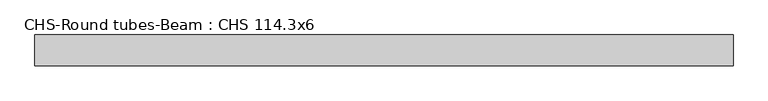
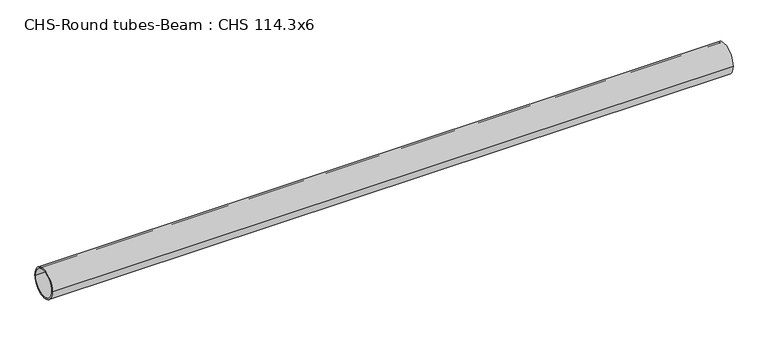
"""IFC4 building model written with IfcOpenShell, lengths in millimetres: beam geometry, CHS-Round tubes-Beam : CHS 114.3x6."""

import ifcopenshell
import ifcopenshell.guid

model = None  # the IFC model being written
_history = None  # IfcOwnerHistory: only IFC2X3 demands one
_inside = {}  # id of a spatial element -> (the spatial element, [elements in it])
_under = {}  # id of a project, library or spatial element -> (it, [spatial elements below it])
_declared = {}  # id of a project -> (the project, [libraries it declares])
_typed = {}  # id of a type object -> (the type object, [elements of that type])
_made_of = {}  # id of a material, layer set ... -> (it, [elements and type objects made of it])


def new_model(schema):
    """Start an empty IFC model of exactly this schema.

    Asked for "IFC4X3", IfcOpenShell would pick the latest addendum, in which some entities
    have other attributes; the version numbers below select the first issue.
    IFC2X3 requires an IfcOwnerHistory on every rooted entity: one is made here for all.
    """
    global model, _history
    if schema == "IFC4X3":
        model = ifcopenshell.file(schema_version=(4, 3, 0, 0))
    else:
        model = ifcopenshell.file(schema=schema)
    _inside.clear()
    _under.clear()
    _declared.clear()
    _typed.clear()
    _made_of.clear()
    _history = None
    if model.schema == "IFC2X3":
        org = make("IfcOrganization", Name="unknown")
        user = make(
            "IfcPersonAndOrganization",
            ThePerson=make("IfcPerson", FamilyName="unknown"),
            TheOrganization=org,
        )
        app = make(
            "IfcApplication",
            ApplicationDeveloper=org,
            Version="unknown",
            ApplicationFullName="unknown",
            ApplicationIdentifier="unknown",
        )
        _history = make(
            "IfcOwnerHistory",
            OwningUser=user,
            OwningApplication=app,
            ChangeAction="ADDED",
            CreationDate=0,
        )
    return model


def make(cls, **values):
    """One entity of the class cls with the attributes given. An attribute that is None is left unset."""
    return model.create_entity(
        cls, **{name: value for name, value in values.items() if value is not None}
    )


def rooted(cls, **values):
    """An entity with a GlobalId (a new one), such as an element, a storey or a relation."""
    return make(cls, GlobalId=ifcopenshell.guid.new(), OwnerHistory=_history, **values)


def si_unit(unit_type, name, prefix=None):
    """IfcSIUnit, for example si_unit("LENGTHUNIT", "METRE", prefix="MILLI")."""
    return make("IfcSIUnit", UnitType=unit_type, Prefix=prefix, Name=name)


def assignment(units):
    """IfcUnitAssignment: the units of a project."""
    return None if units is None else make("IfcUnitAssignment", Units=units)


def point(xyz):
    """IfcCartesianPoint."""
    return None if xyz is None else make("IfcCartesianPoint", Coordinates=xyz)


def direction(xyz):
    """IfcDirection."""
    return None if xyz is None else make("IfcDirection", DirectionRatios=xyz)


def frame(location, z_axis=None, x_axis=None):
    """IfcAxis2Placement3D, a coordinate frame: its origin and axes. An axis left out is left unset."""
    return make(
        "IfcAxis2Placement3D",
        Location=point(location),
        Axis=direction(z_axis),
        RefDirection=direction(x_axis),
    )


def frame_2d(location, x_axis=None):
    """IfcAxis2Placement2D, a coordinate frame in the plane: its origin and x axis."""
    return make(
        "IfcAxis2Placement2D", Location=point(location), RefDirection=direction(x_axis)
    )


def origin():
    """The frame at (0, 0, 0) with its axes left unset."""
    return frame((0.0, 0.0, 0.0))


def origin_2d():
    """The frame at (0, 0) in the plane with its x axis left unset."""
    return frame_2d((0.0, 0.0))


def place(relative_to, where):
    """IfcLocalPlacement: puts the frame where relative to a parent placement (None: the world)."""
    return make(
        "IfcLocalPlacement", PlacementRelTo=relative_to, RelativePlacement=where
    )


def context(
    kind, dimensions, precision=None, world=None, true_north=None, identifier=None
):
    """IfcGeometricRepresentationContext, for example the 3D "Model" context."""
    return make(
        "IfcGeometricRepresentationContext",
        ContextIdentifier=identifier,
        ContextType=kind,
        CoordinateSpaceDimension=dimensions,
        Precision=precision,
        WorldCoordinateSystem=world,
        TrueNorth=true_north,
    )


def project(units=None, contexts=None):
    """IfcProject with its units and contexts."""
    return rooted(
        "IfcProject",
        Name="project",
        RepresentationContexts=contexts,
        UnitsInContext=assignment(units),
    )


def spatial(cls, under=None, at=None, **own):
    """A site, building, storey or space (cls), placed at a placement, below another one or the project."""
    s = rooted(cls, ObjectPlacement=at, **own)
    if under is not None:
        _under.setdefault(under.id(), (under, []))[1].append(s)
    return s


def circle_curve(where, radius):
    """IfcCircle in the frame where."""
    return make("IfcCircle", Position=where, Radius=radius)


def trimmed(basis, trim1, trim2, sense, master):
    """IfcTrimmedCurve: the piece of a basis curve between two trims."""
    return make(
        "IfcTrimmedCurve",
        BasisCurve=basis,
        Trim1=trim1,
        Trim2=trim2,
        SenseAgreement=sense,
        MasterRepresentation=master,
    )


def segment(curve, same_sense, transition):
    """IfcCompositeCurveSegment."""
    return make(
        "IfcCompositeCurveSegment",
        Transition=transition,
        SameSense=same_sense,
        ParentCurve=curve,
    )


def composite_curve(segments, self_intersect=None):
    """IfcCompositeCurve: segments joined end to end."""
    return make("IfcCompositeCurve", Segments=segments, SelfIntersect=self_intersect)


def outline(outer, holes=None, kind="AREA"):
    """IfcArbitraryClosedProfileDef: a profile drawn as a closed curve; with holes, ...WithVoids."""
    if holes is None:
        return make("IfcArbitraryClosedProfileDef", ProfileType=kind, OuterCurve=outer)
    return make(
        "IfcArbitraryProfileDefWithVoids",
        ProfileType=kind,
        OuterCurve=outer,
        InnerCurves=holes,
    )


def extrude(swept, where, along, depth):
    """IfcExtrudedAreaSolid: the profile swept, set in the frame where, extruded along a direction by depth."""
    return make(
        "IfcExtrudedAreaSolid",
        SweptArea=swept,
        Position=where,
        ExtrudedDirection=direction(along),
        Depth=depth,
    )


def shape(context_of_items, identifier, shape_type, items):
    """IfcShapeRepresentation: the items that make up one representation, for example the "Body"."""
    return make(
        "IfcShapeRepresentation",
        ContextOfItems=context_of_items,
        RepresentationIdentifier=identifier,
        RepresentationType=shape_type,
        Items=items,
    )


def source(mapping_origin, context_of_items, identifier, shape_type, items):
    """IfcRepresentationMap: a shape defined once, which mapped items show again and again."""
    return make(
        "IfcRepresentationMap",
        MappingOrigin=mapping_origin,
        MappedRepresentation=shape(context_of_items, identifier, shape_type, items),
    )


def transform(
    local_origin,
    x_axis=None,
    y_axis=None,
    z_axis=None,
    scale=None,
    scale2=None,
    scale3=None,
    uniform=True,
):
    """IfcCartesianTransformationOperator3D, or its non-uniform kind. x_axis, y_axis, z_axis: its Axis1, 2, 3."""
    if uniform:
        return make(
            "IfcCartesianTransformationOperator3D",
            Axis1=direction(x_axis),
            Axis2=direction(y_axis),
            LocalOrigin=point(local_origin),
            Scale=scale,
            Axis3=direction(z_axis),
        )
    return make(
        "IfcCartesianTransformationOperator3DnonUniform",
        Axis1=direction(x_axis),
        Axis2=direction(y_axis),
        LocalOrigin=point(local_origin),
        Scale=scale,
        Axis3=direction(z_axis),
        Scale2=scale2,
        Scale3=scale3,
    )


def mapped(mapping_source, mapping_target):
    """IfcMappedItem: shows the shape of a source again, moved by a transform."""
    return make(
        "IfcMappedItem", MappingSource=mapping_source, MappingTarget=mapping_target
    )


def made_of(thing, what):
    """Note that an element or type object is made of a material, layer set ...; save() writes the relation."""
    if what is not None:
        _made_of.setdefault(what.id(), (what, []))[1].append(thing)
    return thing


def element(
    cls,
    number,
    at=None,
    inside=None,
    cuts=None,
    type_object=None,
    material=None,
    context=None,
    identifier="Body",
    shape_type=None,
    held_by="IfcProductDefinitionShape",
    body=None,
    shapes=None,
    **own,
):
    """One element of the class cls, such as IfcWall. Its Tag is "e" and its number.

    at: its placement. inside: the storey or other place that contains it. cuts: it is an
    opening in that element (IfcRelVoidsElement). A single representation is given by context,
    identifier, shape_type and body (its items); several are given by shapes. held_by: the class
    of the entity that holds the representations. save() writes the other relations.
    """
    e = rooted(cls, Tag="e%d" % number, ObjectPlacement=at, **own)
    if body is not None:
        shapes = [shape(context, identifier, shape_type, body)]
    if shapes is not None:
        e.Representation = make(held_by, Representations=shapes)
    if inside is not None:
        _inside.setdefault(inside.id(), (inside, []))[1].append(e)
    if cuts is not None:
        rooted(
            "IfcRelVoidsElement", RelatingBuildingElement=cuts, RelatedOpeningElement=e
        )
    if type_object is not None:
        _typed.setdefault(type_object.id(), (type_object, []))[1].append(e)
    return made_of(e, material)


def aggregate(whole, parts):
    """IfcRelAggregates: a whole, such as a stair, and the parts it consists of."""
    return rooted("IfcRelAggregates", RelatingObject=whole, RelatedObjects=parts)


def save(model, path):
    """Write the relations noted so far, then the file.

    IfcRelAggregates (storeys below a building ...), IfcRelContainedInSpatialStructure (elements
    in a storey), IfcRelDefinesByType, IfcRelAssociatesMaterial and IfcRelDeclares: one each for
    every whole, place, type object, material and project.
    """
    for whole, parts in _under.values():
        aggregate(whole, parts)
    for where, things in _inside.values():
        rooted(
            "IfcRelContainedInSpatialStructure",
            RelatedElements=things,
            RelatingStructure=where,
        )
    for kind, things in _typed.values():
        rooted("IfcRelDefinesByType", RelatedObjects=things, RelatingType=kind)
    for what, things in _made_of.values():
        rooted("IfcRelAssociatesMaterial", RelatedObjects=things, RelatingMaterial=what)
    for by, libraries in _declared.values():
        rooted("IfcRelDeclares", RelatingContext=by, RelatedDefinitions=libraries)
    model.write(path)


def chs_round_tubes_beam_chs_114_3x6_513a69aa(model_context):
    return source(origin(), model_context, "Body", "SweptSolid", [
        extrude(outline(composite_curve([segment(trimmed(circle_curve(origin_2d(), 57.15), [point((57.15, 0.0))], [point((-57.15, 0.0))], False, "CARTESIAN"), True, "CONTINUOUS"), segment(trimmed(circle_curve(origin_2d(), 57.15), [point((-57.15, 0.0))], [point((57.15, 0.0))], False, "CARTESIAN"), True, "CONTINUOUS")], self_intersect=False), holes=[composite_curve([segment(trimmed(circle_curve(origin_2d(), 51.15), [point((51.15, 0.0))], [point((-51.15, 0.0))], True, "CARTESIAN"), True, "CONTINUOUS"), segment(trimmed(circle_curve(origin_2d(), 51.15), [point((-51.15, 0.0))], [point((51.15, 0.0))], True, "CARTESIAN"), True, "CONTINUOUS")], self_intersect=False)]), frame((-1218.1782473, 0.0, 0.0), z_axis=(1.0, 0.0, 0.0), x_axis=(0.0, 1.0, 0.0)), (0.0, 0.0, 1.0), 2590.4654819),
    ])


if __name__ == "__main__":
    model = new_model("IFC4")
    model_context = context("Model", 3, world=origin())
    ifc_project = project(units=[si_unit("LENGTHUNIT", "METRE", prefix="MILLI")], contexts=[model_context])
    site = spatial("IfcSite", under=ifc_project)
    building = spatial("IfcBuilding", under=site)
    placement = place(None, origin())
    chs_round_tubes_beam_chs_114_3x6_shape = chs_round_tubes_beam_chs_114_3x6_513a69aa(model_context)
    element("IfcBeam", 1, ObjectType="CHS-Round tubes-Beam : CHS 114.3x6", at=placement, inside=building, context=model_context, shape_type="MappedRepresentation", body=[
        mapped(chs_round_tubes_beam_chs_114_3x6_shape, transform((0.0, 0.0, 0.0), x_axis=(1.0, 0.0, 0.0), y_axis=(0.0, 1.0, 0.0), z_axis=(0.0, 0.0, 1.0))),
    ])
    save(model, "model.ifc")
